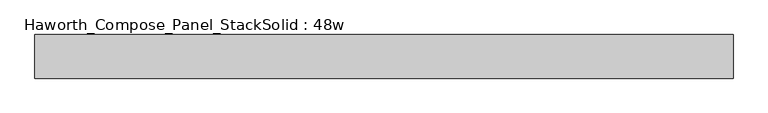
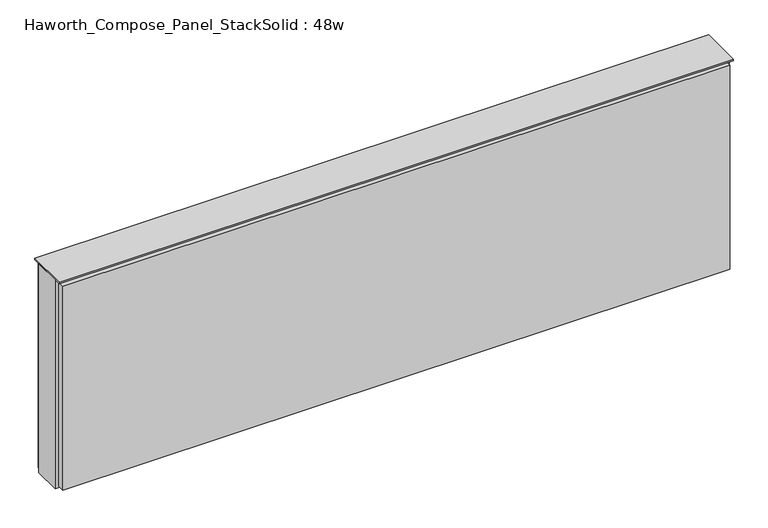
"""IFC4 building model written with IfcOpenShell, lengths in millimetres: furniture geometry, Haworth_Compose_Panel_StackSolid : 48w."""

from ifc_helpers import new_model, si_unit, frame, origin, place, context, project, spatial, polyline, outline, extrude, source, transform, mapped, element, save


def haworth_compose_panel_stacksolid_48w_70afbfbb(model_context):
    return source(origin(), model_context, "Body", "SweptSolid", [
        extrude(outline(polyline([(605.6902902, 38.1), (605.6902902, 25.4), (-600.8097098, 25.4), (-600.8097098, 38.1), (605.6902902, 38.1)])), frame((0.0, 0.0, 1066.8), z_axis=(0.0, 0.0, 1.0), x_axis=(1.0, 0.0, 0.0)), (0.0, 0.0, 1.0), 390.525),
        extrude(outline(polyline([(605.6902902, -38.1), (-600.8097098, -38.1), (-600.8097098, -25.4), (605.6902902, -25.4), (605.6902902, -38.1)])), frame((0.0, 0.0, 1069.975), z_axis=(0.0, 0.0, 1.0), x_axis=(1.0, 0.0, 0.0)), (0.0, 0.0, 1.0), 390.525),
        extrude(outline(polyline([(612.0402902, 25.4), (612.0402902, -25.4), (-607.1597098, -25.4), (-607.1597098, 25.4), (612.0402902, 25.4)])), frame((0.0, 0.0, 1066.8), z_axis=(0.0, 0.0, 1.0), x_axis=(1.0, 0.0, 0.0)), (0.0, 0.0, 1.0), 400.05),
        extrude(outline(polyline([(-607.1597098, -38.1), (-607.1597098, 38.1), (612.0402902, 38.1), (612.0402902, -38.1), (-607.1597098, -38.1)])), frame((0.0, 0.0, 1466.85), z_axis=(0.0, 0.0, 1.0), x_axis=(1.0, 0.0, 0.0)), (0.0, 0.0, 1.0), 3.175),
    ])


if __name__ == "__main__":
    model = new_model("IFC4")
    model_context = context("Model", 3, world=origin())
    ifc_project = project(units=[si_unit("LENGTHUNIT", "METRE", prefix="MILLI")], contexts=[model_context])
    site = spatial("IfcSite", under=ifc_project)
    building = spatial("IfcBuilding", under=site)
    placement = place(None, origin())
    haworth_compose_panel_stacksolid_48w_shape = haworth_compose_panel_stacksolid_48w_70afbfbb(model_context)
    element("IfcFurniture", 1, ObjectType="Haworth_Compose_Panel_StackSolid : 48w", at=placement, inside=building, context=model_context, shape_type="MappedRepresentation", body=[
        mapped(haworth_compose_panel_stacksolid_48w_shape, transform((0.0, 0.0, 0.0), x_axis=(1.0, 0.0, 0.0), y_axis=(0.0, 1.0, 0.0), z_axis=(0.0, 0.0, 1.0))),
    ])
    save(model, "model.ifc")
